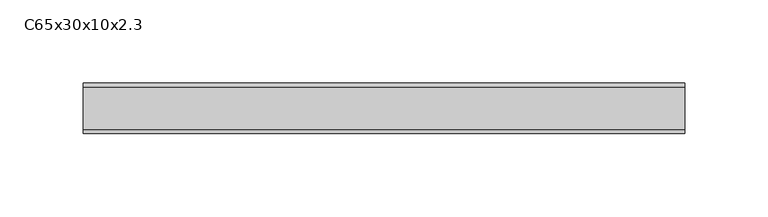
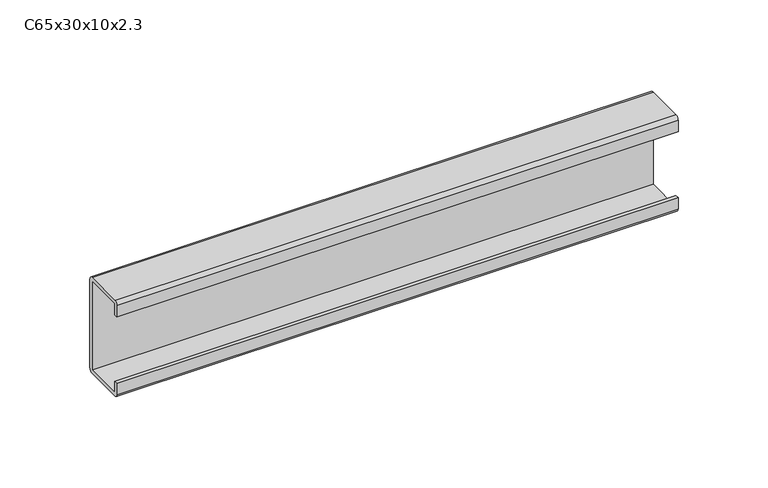
"""IFC4 building model written with IfcOpenShell, lengths in millimetres: proxy geometry, C65x30x10x2.3."""

from ifc_helpers import new_model, si_unit, point, frame, frame_2d, origin, place, context, project, spatial, polyline, circle_curve, trimmed, segment, composite_curve, outline, extrude, source, transform, mapped, element, save


def c65x30x10x2_3_56b8a39d(model_context):
    return source(origin(), model_context, "Body", "SweptSolid", [
        extrude(outline(composite_curve([segment(polyline([(-15.0, -10.0), (-15.0, -2.3)]), True, "CONTINUOUS"), segment(trimmed(circle_curve(frame_2d((-12.7, -2.3)), 2.3), [point((-15.0, -2.3))], [point((-12.7, 0.0))], False, "CARTESIAN"), True, "CONTINUOUS"), segment(polyline([(-12.7, 0.0), (12.7, 0.0)]), True, "CONTINUOUS"), segment(trimmed(circle_curve(frame_2d((12.7, -2.3)), 2.3), [point((12.7, 0.0))], [point((15.0, -2.3))], False, "CARTESIAN"), True, "CONTINUOUS"), segment(polyline([(15.0, -2.3), (15.0, -62.7)]), True, "CONTINUOUS"), segment(trimmed(circle_curve(frame_2d((12.7, -62.7)), 2.3), [point((15.0, -62.7))], [point((12.7, -65.0))], False, "CARTESIAN"), True, "CONTINUOUS"), segment(polyline([(12.7, -65.0), (-12.7, -65.0)]), True, "CONTINUOUS"), segment(trimmed(circle_curve(frame_2d((-12.7, -62.7)), 2.3), [point((-12.7, -65.0))], [point((-15.0, -62.7))], False, "CARTESIAN"), True, "CONTINUOUS"), segment(polyline([(-15.0, -62.7), (-15.0, -55.0), (-12.7, -55.0), (-12.7, -62.7), (12.7, -62.7), (12.7, -2.3), (-12.7, -2.3), (-12.7, -10.0), (-15.0, -10.0)]), True, "CONTINUOUS")], self_intersect=False)), frame((0.0, 0.0, 0.0), z_axis=(1.0, 0.0, 0.0), x_axis=(0.0, 1.0, 0.0)), (0.0, 0.0, 1.0), 360.0),
    ])


if __name__ == "__main__":
    model = new_model("IFC4")
    model_context = context("Model", 3, world=origin())
    ifc_project = project(units=[si_unit("LENGTHUNIT", "METRE", prefix="MILLI")], contexts=[model_context])
    site = spatial("IfcSite", under=ifc_project)
    building = spatial("IfcBuilding", under=site)
    placement = place(None, origin())
    c65x30x10x2_3_shape = c65x30x10x2_3_56b8a39d(model_context)
    element("IfcBuildingElementProxy", 1, Name="C65x30x10x2.3", ObjectType="C65x30x10x2.3", at=placement, inside=building, context=model_context, shape_type="MappedRepresentation", body=[
        mapped(c65x30x10x2_3_shape, transform((0.0, 0.0, 0.0), x_axis=(1.0, 0.0, 0.0), y_axis=(0.0, 1.0, 0.0), z_axis=(0.0, 0.0, 1.0))),
    ])
    save(model, "model.ifc")
